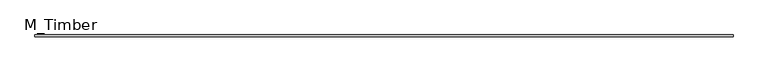
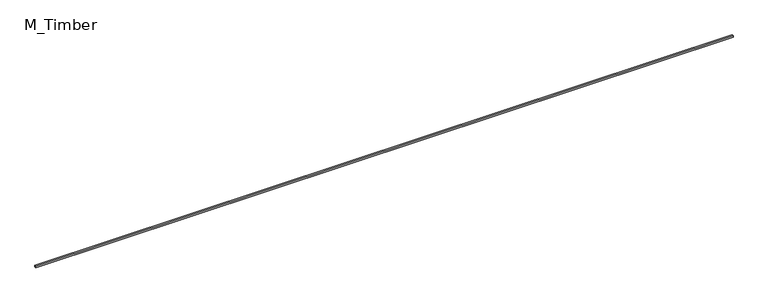
"""IFC4 building model written with IfcOpenShell, lengths in millimetres: beam geometry, M_Timber."""

from ifc_helpers import new_model, si_unit, frame, origin, place, context, project, spatial, polyline, outline, extrude, source, transform, mapped, element, save


def m_timber_9be5b3f1(model_context):
    return source(origin(), model_context, "Body", "SweptSolid", [
        extrude(outline(polyline([(8287.9906532, 20.0), (8287.9906532, -20.0), (-8287.9906532, -20.0), (-8287.9906532, 20.0), (8287.9906532, 20.0)])), frame((0.0, 0.0, -20.0), z_axis=(0.0, 0.0, 1.0), x_axis=(1.0, 0.0, 0.0)), (0.0, 0.0, 1.0), 40.0),
    ])


if __name__ == "__main__":
    model = new_model("IFC4")
    model_context = context("Model", 3, world=origin())
    ifc_project = project(units=[si_unit("LENGTHUNIT", "METRE", prefix="MILLI")], contexts=[model_context])
    site = spatial("IfcSite", under=ifc_project)
    building = spatial("IfcBuilding", under=site)
    placement = place(None, origin())
    m_timber_shape = m_timber_9be5b3f1(model_context)
    element("IfcBeam", 1, ObjectType="M_Timber", at=placement, inside=building, context=model_context, shape_type="MappedRepresentation", body=[
        mapped(m_timber_shape, transform((0.0, 0.0, 0.0), x_axis=(1.0, 0.0, 0.0), y_axis=(0.0, 1.0, 0.0), z_axis=(0.0, 0.0, 1.0))),
    ])
    save(model, "model.ifc")
